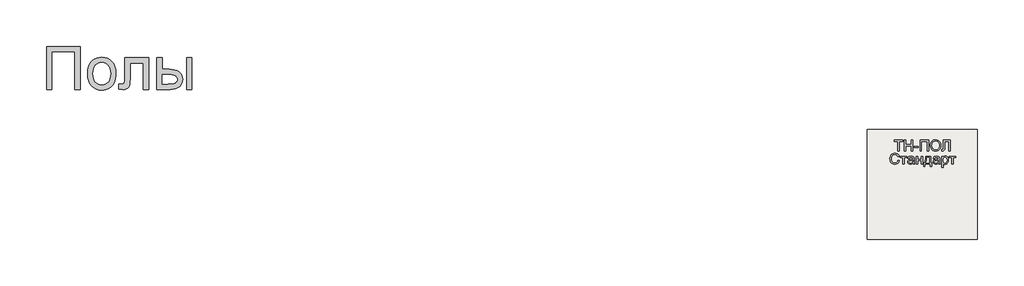
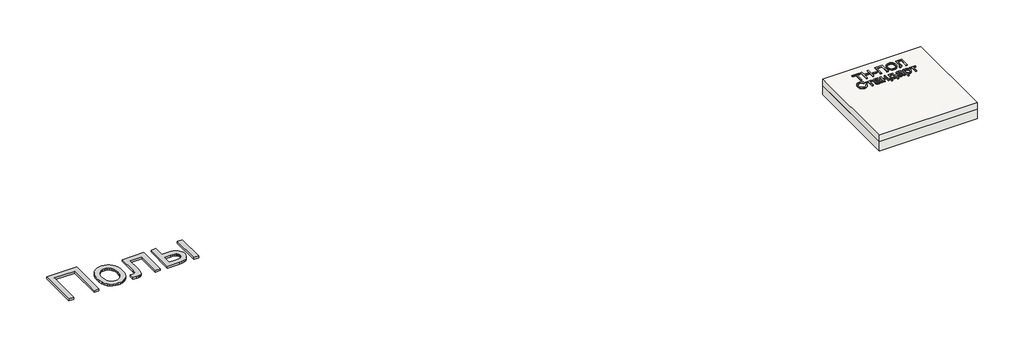
# One storey: 2 proxies, 2 slabs.
"""IFC4 building model written with IfcOpenShell, lengths in millimetres."""

from ifc_helpers import new_model, si_unit, frame, origin, origin_with_axes, place, context, project, spatial, polyline, outline, extrude, element, save

model = new_model("IFC4")

# Units and contexts
model_context = context("Model", 3, world=origin())
ifc_project = project(units=[si_unit("LENGTHUNIT", "METRE", prefix="MILLI")], contexts=[model_context])

# Site, building, storey
site = spatial("IfcSite", under=ifc_project)
building = spatial("IfcBuilding", under=site)
storey = spatial("IfcBuildingStorey", under=building, Elevation=0.0)

# Proxies
placement = place(None, origin())
element("IfcBuildingElementProxy", 1, Name="Generic Models", at=placement, inside=storey, context=model_context, shape_type="SweptSolid", body=[
    extrude(outline(polyline([(-2221.4493901, -14787.7817103), (-1609.328178, -14787.7817103), (-1609.328178, -15571.2968619), (-1707.2675719, -15571.2968619), (-1707.2675719, -14885.7211043), (-2123.5099961, -14885.7211043), (-2123.5099961, -15571.2968619), (-2221.4493901, -15571.2968619), (-2221.4493901, -14787.7817103)])), origin_with_axes(), (0.0, 0.0, 1.0), 40.0),
    extrude(outline(polyline([(-1474.6615113, -15283.5998922), (-1469.3652282, -15209.0813079), (-1462.7448742, -15175.6866287), (-1453.4763787, -15144.8683581), (-1441.5597416, -15116.6264961), (-1426.994963, -15090.9610427), (-1409.7820428, -15067.871998), (-1389.920981, -15047.3593619), (-1352.5959336, -15019.491109), (-1311.3973068, -14999.5852141), (-1266.3251003, -14987.6416772), (-1217.3793143, -14983.6604982), (-1163.3464663, -14988.5084504), (-1114.4903465, -15003.0523069), (-1070.810955, -15027.2920678), (-1032.3082916, -15061.2277331), (-1000.8832798, -15103.7115754), (-978.4368427, -15153.5958675), (-964.9689805, -15210.8806095), (-960.4796931, -15275.5658013), (-962.4643049, -15327.9906355), (-968.4181401, -15374.5094566), (-978.3411988, -15415.1222643), (-992.233481, -15449.8290588), (-1009.921632, -15479.8074561), (-1031.2322973, -15506.2350721), (-1056.1654767, -15529.1119068), (-1084.7211704, -15548.4379603), (-1115.7875175, -15563.7947904), (-1148.2526571, -15574.7639547), (-1182.1165894, -15581.3454532), (-1217.3793143, -15583.5392861), (-1272.2012248, -15578.7092672), (-1321.5116533, -15564.2192103), (-1365.3105998, -15540.0691156), (-1403.5980643, -15506.2589831), (-1434.6883224, -15463.3626763), (-1456.8956496, -15411.9540588), (-1470.2200459, -15352.0331308), (-1474.6615113, -15283.5998922)]), holes=[polyline([(-1376.7221174, -15283.4086043), (-1373.8886657, -15330.9137534), (-1365.3883105, -15372.0466251), (-1351.221052, -15406.8072193), (-1331.3868901, -15435.1955361), (-1307.2607064, -15457.2474419), (-1280.2173825, -15472.9988031), (-1250.2569185, -15482.4496199), (-1217.3793143, -15485.5998922), (-1184.6690871, -15482.4316867), (-1154.828178, -15472.9270702), (-1127.8565871, -15457.0860427), (-1103.7543143, -15434.9086043), (-1083.9201524, -15406.2393335), (-1069.7528939, -15370.9228088), (-1061.2525388, -15328.9590304), (-1058.4190871, -15280.3479982), (-1061.270472, -15234.3492411), (-1069.8246268, -15194.2923638), (-1084.0815515, -15160.1773661), (-1104.0412461, -15132.0042482), (-1128.2331851, -15109.9523424), (-1155.1868427, -15094.2009812), (-1184.9022192, -15084.7501644), (-1217.3793143, -15081.5998922), (-1250.2569185, -15084.7382089), (-1280.2173825, -15094.1531592), (-1307.2607064, -15109.844743), (-1331.3868901, -15131.8129603), (-1351.221052, -15160.1175887), (-1365.3883105, -15194.8184054), (-1373.8886657, -15235.9154106), (-1376.7221174, -15283.4086043)])]), origin_with_axes(), (0.0, 0.0, 1.0), 40.0),
    extrude(outline(polyline([(-801.328178, -14995.9029225), (-360.6009052, -14995.9029225), (-360.6009052, -15570.7229982), (-458.5402992, -15570.7229982), (-458.5402992, -15093.8423164), (-703.388784, -15093.8423164), (-703.388784, -15368.3404225), (-705.038642, -15448.011824), (-709.9882158, -15494.9729982), (-722.350195, -15523.6422691), (-746.2372689, -15548.4379603), (-762.7119374, -15558.4387298), (-782.4863219, -15565.5821365), (-805.5604223, -15569.8681805), (-831.9342386, -15571.2968619), (-911.5099961, -15566.323377), (-911.5099961, -15473.3574679), (-867.7050719, -15473.3574679), (-841.1399677, -15471.8510759), (-823.421928, -15467.3318997), (-812.351142, -15459.5369187), (-805.7277992, -15448.2031119), (-802.4280833, -15420.2989925), (-801.328178, -15362.793074), (-801.328178, -14995.9029225)])), origin_with_axes(), (0.0, 0.0, 1.0), 40.0),
    extrude(outline(polyline([(-213.6918143, -14995.9029225), (-115.7524204, -14995.9029225), (-115.7524204, -15204.0241346), (5.3328069, -15204.0241346), (61.0513793, -15207.0907184), (109.9911876, -15216.2904698), (152.1522316, -15231.6233888), (187.5345114, -15253.0894755), (215.5282969, -15279.9474892), (235.523858, -15311.4561895), (247.5211947, -15347.6155763), (251.5203069, -15388.4256497), (248.1667913, -15424.8361019), (238.1062444, -15458.5087463), (221.3386663, -15489.443583), (197.8640569, -15517.6406119), (167.0248642, -15541.1152212), (128.1635361, -15557.8827994), (81.2800725, -15567.9433462), (26.3744736, -15571.2968619), (-213.6918143, -15571.2968619), (-213.6918143, -14995.9029225)]), holes=[polyline([(-115.7524204, -15473.3574679), (-15.1349961, -15473.3574679), (62.8626364, -15468.2166062), (92.0699044, -15461.790529), (114.7494736, -15452.794021), (131.7382283, -15441.0716606), (143.8730531, -15426.4680266), (151.153948, -15408.983119), (153.5809129, -15388.6169376), (151.7816113, -15372.1542245), (146.3837065, -15356.6240399), (137.3871985, -15342.0263836), (124.7920872, -15328.3612558), (106.0518528, -15316.8122501), (78.6199754, -15308.5629603), (42.4964551, -15303.6133865), (-2.3187083, -15301.9635285), (-115.7524204, -15301.9635285), (-115.7524204, -15473.3574679)])]), origin_with_axes(), (0.0, 0.0, 1.0), 40.0),
    extrude(outline(polyline([(324.9748523, -14995.9029225), (422.9142463, -14995.9029225), (422.9142463, -15571.2968619), (324.9748523, -15571.2968619), (324.9748523, -14995.9029225)])), origin_with_axes(), (0.0, 0.0, 1.0), 40.0),
])
element("IfcBuildingElementProxy", 2, Name="Generic Models", at=placement, inside=storey, context=model_context, shape_type="SweptSolid", body=[
    extrude(outline(polyline([(13256.8186644, -16688.792124), (13256.8186644, -16516.4844317), (13192.2032798, -16516.4844317), (13192.2032798, -16491.8690471), (13346.0494336, -16491.8690471), (13346.0494336, -16516.4844317), (13281.434049, -16516.4844317), (13281.434049, -16688.792124), (13256.8186644, -16688.792124)])), origin_with_axes(), (0.0, 0.0, 1.0), 20.0),
    extrude(outline(polyline([(13373.7417413, -16688.792124), (13373.7417413, -16491.8690471), (13398.3571259, -16491.8690471), (13398.3571259, -16571.8690471), (13502.9725106, -16571.8690471), (13502.9725106, -16491.8690471), (13527.5878952, -16491.8690471), (13527.5878952, -16688.792124), (13502.9725106, -16688.792124), (13502.9725106, -16596.4844317), (13398.3571259, -16596.4844317), (13398.3571259, -16688.792124), (13373.7417413, -16688.792124)])), origin_with_axes(), (0.0, 0.0, 1.0), 20.0),
    extrude(outline(polyline([(13555.2802029, -16630.3305856), (13555.2802029, -16605.7152009), (13632.2032798, -16605.7152009), (13632.2032798, -16630.3305856), (13555.2802029, -16630.3305856)])), origin_with_axes(), (0.0, 0.0, 1.0), 20.0),
    extrude(outline(polyline([(13662.9725106, -16491.8690471), (13816.8186644, -16491.8690471), (13816.8186644, -16688.792124), (13792.2032798, -16688.792124), (13792.2032798, -16516.4844317), (13687.5878952, -16516.4844317), (13687.5878952, -16688.792124), (13662.9725106, -16688.792124), (13662.9725106, -16491.8690471)])), origin_with_axes(), (0.0, 0.0, 1.0), 20.0),
    extrude(outline(polyline([(13850.6648182, -16592.9267394), (13852.3054432, -16569.8287827), (13857.2273182, -16549.3810663), (13865.4304432, -16531.5835904), (13876.9148182, -16516.4363548), (13890.9923423, -16504.3420038), (13906.9749144, -16495.7031817), (13924.8625346, -16490.5198884), (13944.6552029, -16488.792124), (13970.4845298, -16492.0373163), (13993.6455875, -16501.7728932), (14012.8763567, -16517.3137586), (14026.9148182, -16537.9748163), (14035.496549, -16562.7584702), (14038.3571259, -16590.667124), (14035.3463086, -16618.948374), (14026.3138567, -16644.0805856), (14011.7585682, -16664.7777009), (13992.1792413, -16679.7536625), (13969.2165009, -16688.8402009), (13944.5109721, -16691.8690471), (13918.2850106, -16688.5216913), (13894.9917413, -16678.479624), (13875.809049, -16662.6502971), (13861.9148182, -16641.9411625), (13853.4773182, -16618.1130375), (13850.6648182, -16592.9267394)]), holes=[polyline([(13875.2802029, -16593.167124), (13880.2020779, -16623.9724125), (13894.9677029, -16647.4459702), (13917.1612125, -16662.3017394), (13944.3667413, -16667.2536625), (13971.9689048, -16662.2536625), (13994.1984721, -16647.2536625), (14002.7486524, -16636.2049846), (14008.855924, -16623.0589509), (14013.7417413, -16590.4748163), (14011.6503952, -16568.6839509), (14005.3763567, -16549.8498163), (13995.0818856, -16534.4471721), (13980.9292413, -16522.9507779), (13963.855924, -16515.7933259), (13944.7994336, -16513.4075086), (13918.3210682, -16518.0048644), (13895.809049, -16531.7969317), (13886.8276788, -16542.5286024), (13880.4124144, -16556.3341913), (13875.2802029, -16593.167124)])]), origin_with_axes(), (0.0, 0.0, 1.0), 20.0),
    extrude(outline(polyline([(14087.5878952, -16491.8690471), (14207.5878952, -16491.8690471), (14207.5878952, -16688.792124), (14182.9725106, -16688.792124), (14182.9725106, -16516.4844317), (14112.2032798, -16516.4844317), (14112.2032798, -16616.9652009), (14109.3427029, -16661.7969317), (14104.9136163, -16674.4652009), (14097.3475106, -16683.9603932), (14086.9869336, -16689.8918836), (14074.1744336, -16691.8690471), (14053.7417413, -16688.792124), (14056.8186644, -16664.1767394), (14068.5975106, -16667.2536625), (14076.9208279, -16665.6010182), (14082.8523182, -16660.6430856), (14086.4040009, -16649.5553452), (14087.5878952, -16629.5132779), (14087.5878952, -16491.8690471)])), origin_with_axes(), (0.0, 0.0, 1.0), 20.0),
    extrude(outline(polyline([(13261.434049, -16861.8690471), (13286.0494336, -16868.2152009), (13274.6912606, -16896.8990952), (13256.8667413, -16917.854624), (13233.4532798, -16930.6731336), (13205.3282798, -16934.9459702), (13176.7765971, -16931.7127971), (13154.1023182, -16922.0132779), (13136.7225106, -16906.1839509), (13124.0542413, -16884.5613548), (13116.3198663, -16859.1406817), (13113.7417413, -16831.917124), (13116.6564048, -16803.2031817), (13125.4003952, -16778.4075086), (13139.5169817, -16758.3173644), (13158.5494336, -16743.7200086), (13181.121549, -16734.8317875), (13205.8571259, -16731.8690471), (13232.8463086, -16735.7031817), (13255.1600106, -16747.2055856), (13272.1011163, -16765.667124), (13282.9725106, -16790.3786625), (13258.3571259, -16796.2440471), (13249.8234721, -16778.2933259), (13238.1648182, -16765.979624), (13223.2369336, -16758.8582298), (13204.8955875, -16756.4844317), (13183.7537606, -16759.1166432), (13166.3859721, -16767.0132779), (13153.2068856, -16779.3450086), (13144.6311644, -16795.2825086), (13139.9256356, -16813.2993356), (13138.3571259, -16831.8690471), (13140.2140971, -16854.6094317), (13145.7850106, -16874.2728932), (13155.2802029, -16890.1082298), (13168.9100106, -16901.3642394), (13185.2501548, -16908.088999), (13202.8763567, -16910.3305856), (13223.4232317, -16907.2777009), (13240.5446259, -16898.1190471), (13253.4713086, -16882.9507779), (13261.434049, -16861.8690471)])), origin_with_axes(), (0.0, 0.0, 1.0), 20.0),
    extrude(outline(polyline([(13304.5109721, -16787.2536625), (13421.434049, -16787.2536625), (13421.434049, -16811.8690471), (13375.2802029, -16811.8690471), (13375.2802029, -16931.8690471), (13350.6648182, -16931.8690471), (13350.6648182, -16811.8690471), (13304.5109721, -16811.8690471), (13304.5109721, -16787.2536625)])), origin_with_axes(), (0.0, 0.0, 1.0), 20.0),
    extrude(outline(polyline([(13535.2802029, -16913.4075086), (13511.4100106, -16930.0902009), (13485.0398182, -16934.9459702), (13464.4689048, -16932.0252971), (13449.2946259, -16923.2632779), (13439.9376548, -16909.9579894), (13436.8186644, -16893.4075086), (13441.5302029, -16873.9363548), (13453.9100106, -16859.8017394), (13471.1455875, -16851.7248163), (13492.4436644, -16848.0228932), (13535.1359721, -16839.5613548), (13535.2802029, -16834.0805856), (13533.5854913, -16823.0950086), (13528.5013567, -16815.9075086), (13517.1311644, -16810.5709702), (13501.2898182, -16808.792124), (13476.3859721, -16813.5277009), (13469.402799, -16820.0962106), (13464.5109721, -16830.3305856), (13439.8955875, -16827.2536625), (13450.5446259, -16803.2152009), (13459.6191452, -16795.1262586), (13471.9869336, -16789.1286625), (13504.4628952, -16784.1767394), (13534.2946259, -16788.5517394), (13551.1455875, -16799.5373163), (13558.6936644, -16816.2440471), (13559.8955875, -16837.7825086), (13559.8955875, -16868.4075086), (13561.1455875, -16911.1719317), (13566.0494336, -16931.8690471), (13541.434049, -16931.8690471), (13535.2802029, -16913.4075086)]), holes=[polyline([(13535.2802029, -16864.1767394), (13495.5686644, -16871.7248163), (13474.3907798, -16875.7152009), (13464.7994336, -16882.2055856), (13461.434049, -16891.6767394), (13463.2669817, -16898.9964509), (13468.7657798, -16904.9940471), (13477.8102509, -16908.9964509), (13490.2802029, -16910.3305856), (13503.5013567, -16908.8582298), (13515.184049, -16904.4411625), (13531.2417413, -16890.1863548), (13535.1359721, -16871.1478932), (13535.2802029, -16864.1767394)])]), origin_with_axes(), (0.0, 0.0, 1.0), 20.0),
    extrude(outline(polyline([(13593.7417413, -16787.2536625), (13618.3571259, -16787.2536625), (13618.3571259, -16842.6382779), (13682.9725106, -16842.6382779), (13682.9725106, -16787.2536625), (13707.5878952, -16787.2536625), (13707.5878952, -16931.8690471), (13682.9725106, -16931.8690471), (13682.9725106, -16867.2536625), (13618.3571259, -16867.2536625), (13618.3571259, -16931.8690471), (13593.7417413, -16931.8690471), (13593.7417413, -16787.2536625)])), origin_with_axes(), (0.0, 0.0, 1.0), 20.0),
    extrude(outline(polyline([(13766.0494336, -16787.2536625), (13858.3571259, -16787.2536625), (13858.3571259, -16907.2536625), (13876.8186644, -16907.2536625), (13876.8186644, -16971.8690471), (13852.2032798, -16971.8690471), (13852.2032798, -16931.8690471), (13750.6648182, -16931.8690471), (13750.6648182, -16971.8690471), (13726.0494336, -16971.8690471), (13726.0494336, -16907.2536625), (13741.434049, -16907.2536625), (13752.6179432, -16887.0433259), (13760.4484721, -16860.3065471), (13764.9256356, -16827.0433259), (13766.0494336, -16787.2536625)]), holes=[polyline([(13787.5878952, -16811.8690471), (13781.8186644, -16867.9507779), (13769.1263567, -16907.2536625), (13833.7417413, -16907.2536625), (13833.7417413, -16811.8690471), (13787.5878952, -16811.8690471)])]), origin_with_axes(), (0.0, 0.0, 1.0), 20.0),
    extrude(outline(polyline([(13996.8186644, -16913.4075086), (13972.9484721, -16930.0902009), (13946.5782798, -16934.9459702), (13926.0073663, -16932.0252971), (13910.8330875, -16923.2632779), (13901.4761163, -16909.9579894), (13898.3571259, -16893.4075086), (13903.0686644, -16873.9363548), (13915.4484721, -16859.8017394), (13932.684049, -16851.7248163), (13953.9821259, -16848.0228932), (13996.6744336, -16839.5613548), (13996.8186644, -16834.0805856), (13995.1239529, -16823.0950086), (13990.0398182, -16815.9075086), (13978.6696259, -16810.5709702), (13962.8282798, -16808.792124), (13937.9244336, -16813.5277009), (13930.9412606, -16820.0962106), (13926.0494336, -16830.3305856), (13901.434049, -16827.2536625), (13912.0830875, -16803.2152009), (13921.1576067, -16795.1262586), (13933.5253952, -16789.1286625), (13966.0013567, -16784.1767394), (13995.8330875, -16788.5517394), (14012.684049, -16799.5373163), (14020.2321259, -16816.2440471), (14021.434049, -16837.7825086), (14021.434049, -16868.4075086), (14022.684049, -16911.1719317), (14027.5878952, -16931.8690471), (14002.9725106, -16931.8690471), (13996.8186644, -16913.4075086)]), holes=[polyline([(13996.8186644, -16864.1767394), (13957.1071259, -16871.7248163), (13935.9292413, -16875.7152009), (13926.3378952, -16882.2055856), (13922.9725106, -16891.6767394), (13924.8054432, -16898.9964509), (13930.3042413, -16904.9940471), (13939.3487125, -16908.9964509), (13951.8186644, -16910.3305856), (13965.0398182, -16908.8582298), (13976.7225106, -16904.4411625), (13992.7802029, -16890.1863548), (13996.6744336, -16871.1478932), (13996.8186644, -16864.1767394)])]), origin_with_axes(), (0.0, 0.0, 1.0), 20.0),
    extrude(outline(polyline([(14055.2802029, -16987.2536625), (14055.2802029, -16787.2536625), (14079.8955875, -16787.2536625), (14079.8955875, -16811.3882779), (14096.9148182, -16790.979624), (14107.3955875, -16785.8774606), (14119.8955875, -16784.1767394), (14136.5422221, -16786.5565471), (14151.0975106, -16793.6959702), (14162.9484721, -16805.1623163), (14171.4821259, -16820.5228932), (14176.6383759, -16838.6599125), (14178.3571259, -16858.4555856), (14176.4160202, -16879.5072682), (14170.5927029, -16898.3353932), (14161.0734721, -16913.9844317), (14148.0446259, -16925.4988548), (14132.8703471, -16932.5841913), (14116.9148182, -16934.9459702), (14105.5987125, -16933.3654413), (14095.496549, -16928.6238548), (14079.8955875, -16912.6382779), (14079.8955875, -16987.2536625), (14055.2802029, -16987.2536625)]), holes=[polyline([(14079.8955875, -16860.7152009), (14082.5578471, -16882.7825086), (14090.5446259, -16898.2152009), (14102.3294817, -16907.3017394), (14116.3859721, -16910.3305856), (14130.6708279, -16907.1935663), (14142.7561644, -16897.7825086), (14150.9953471, -16881.7849125), (14153.7417413, -16858.8882779), (14151.0614529, -16836.9411625), (14143.0205875, -16821.292124), (14131.2537606, -16811.917124), (14117.3955875, -16808.792124), (14103.4833279, -16812.1154413), (14091.2657798, -16822.0853932), (14082.7381356, -16838.3894798), (14079.8955875, -16860.7152009)])]), origin_with_axes(), (0.0, 0.0, 1.0), 20.0),
    extrude(outline(polyline([(14193.7417413, -16787.2536625), (14310.6648182, -16787.2536625), (14310.6648182, -16811.8690471), (14264.5109721, -16811.8690471), (14264.5109721, -16931.8690471), (14239.8955875, -16931.8690471), (14239.8955875, -16811.8690471), (14193.7417413, -16811.8690471), (14193.7417413, -16787.2536625)])), origin_with_axes(), (0.0, 0.0, 1.0), 20.0),
])

# Slabs
element("IfcSlab", 3, at=placement, inside=storey, context=model_context, shape_type="SweptSolid", body=[
    extrude(outline(polyline([(14706.3955952, -16302.6148653), (14706.3955952, -18302.6148653), (12706.3955952, -18302.6148653), (12706.3955952, -16302.6148653), (14706.3955952, -16302.6148653)])), frame((0.0, 0.0, -140.0), z_axis=(0.0, 0.0, 1.0), x_axis=(1.0, 0.0, 0.0)), (0.0, 0.0, 1.0), 140.0),
])
element("IfcSlab", 4, at=placement, inside=storey, context=model_context, shape_type="SweptSolid", body=[
    extrude(outline(polyline([(14706.3955952, -16302.6148653), (14706.3955952, -18302.6148653), (12706.3955952, -18302.6148653), (12706.3955952, -16302.6148653), (14706.3955952, -16302.6148653)])), frame((0.0, 0.0, -340.0), z_axis=(0.0, 0.0, 1.0), x_axis=(1.0, 0.0, 0.0)), (0.0, 0.0, 1.0), 200.0),
])

save(model, "model.ifc")
